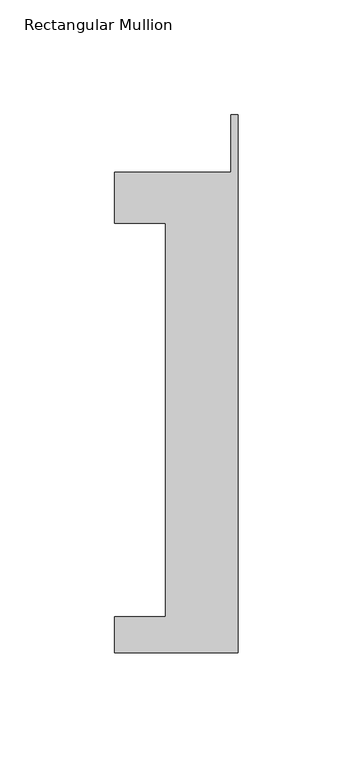
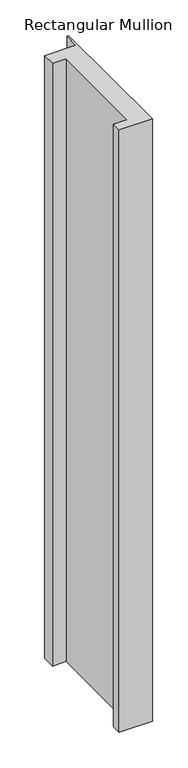
"""IFC4 building model written with IfcOpenShell, lengths in millimetres: member geometry, Rectangular Mullion."""

from ifc_helpers import new_model, si_unit, frame, origin, place, context, project, spatial, polyline, outline, extrude, source, transform, mapped, element, save


def rectangular_mullion_49cee52c(model_context):
    return source(origin(), model_context, "Body", "SweptSolid", [
        extrude(outline(polyline([(-53.975, -221.996), (-53.975, -206.121), (-31.75, -206.121), (-31.75, -34.671), (-53.975, -34.671), (-53.975, -12.446), (-3.175, -12.446), (-3.175, 12.7), (0.0, 12.7), (0.0, -221.996), (-53.975, -221.996)])), frame((0.0, 0.0, -1031.8837706), z_axis=(0.0, 0.0, 1.0), x_axis=(1.0, 0.0, 0.0)), (0.0, 0.0, 1.0), 1031.8837706),
    ])


if __name__ == "__main__":
    model = new_model("IFC4")
    model_context = context("Model", 3, world=origin())
    ifc_project = project(units=[si_unit("LENGTHUNIT", "METRE", prefix="MILLI")], contexts=[model_context])
    site = spatial("IfcSite", under=ifc_project)
    building = spatial("IfcBuilding", under=site)
    placement = place(None, origin())
    rectangular_mullion_shape = rectangular_mullion_49cee52c(model_context)
    element("IfcMember", 1, ObjectType="Rectangular Mullion", at=placement, inside=building, context=model_context, shape_type="MappedRepresentation", body=[
        mapped(rectangular_mullion_shape, transform((0.0, 0.0, 0.0), x_axis=(1.0, 0.0, 0.0), y_axis=(0.0, 1.0, 0.0), z_axis=(0.0, 0.0, 1.0))),
    ])
    save(model, "model.ifc")
